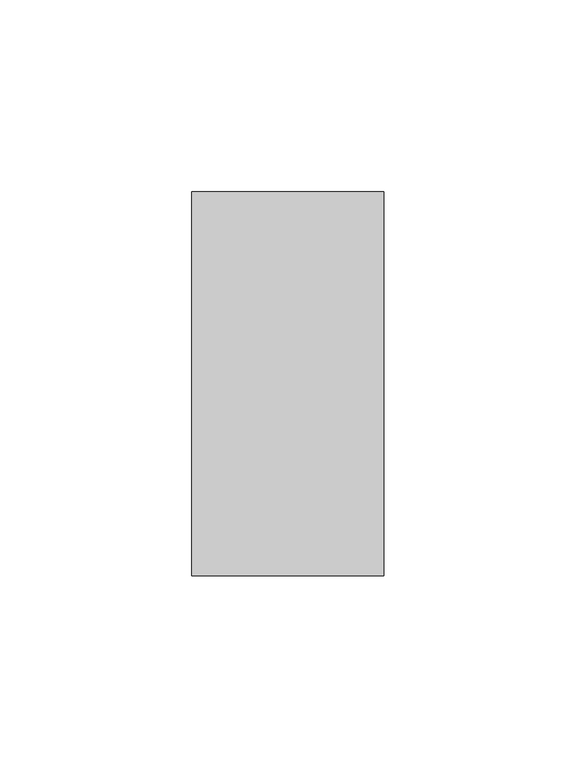
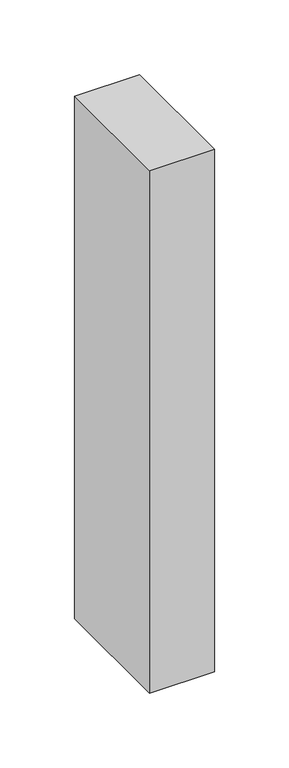
"""IFC4 building model written with IfcOpenShell, lengths in millimetres: member geometry."""

from ifc_helpers import new_model, si_unit, frame, origin, place, context, project, spatial, polyline, outline, extrude, source, transform, mapped, element, save


def member_647f4708(model_context):
    return source(origin(), model_context, "Body", "SweptSolid", [
        extrude(outline(polyline([(25.0, 50.0), (25.0, -50.0), (-25.0, -50.0), (-25.0, 50.0), (25.0, 50.0)])), frame((0.0, 0.0, -425.8552083), z_axis=(0.0, 0.0, 1.0), x_axis=(1.0, 0.0, 0.0)), (0.0, 0.0, 1.0), 425.8552083),
    ])


if __name__ == "__main__":
    model = new_model("IFC4")
    model_context = context("Model", 3, world=origin())
    ifc_project = project(units=[si_unit("LENGTHUNIT", "METRE", prefix="MILLI")], contexts=[model_context])
    site = spatial("IfcSite", under=ifc_project)
    building = spatial("IfcBuilding", under=site)
    placement = place(None, origin())
    member_shape = member_647f4708(model_context)
    element("IfcMember", 1, at=placement, inside=building, context=model_context, shape_type="MappedRepresentation", body=[
        mapped(member_shape, transform((0.0, 0.0, 0.0), x_axis=(1.0, 0.0, 0.0), y_axis=(0.0, 1.0, 0.0), z_axis=(0.0, 0.0, 1.0))),
    ])
    save(model, "model.ifc")
